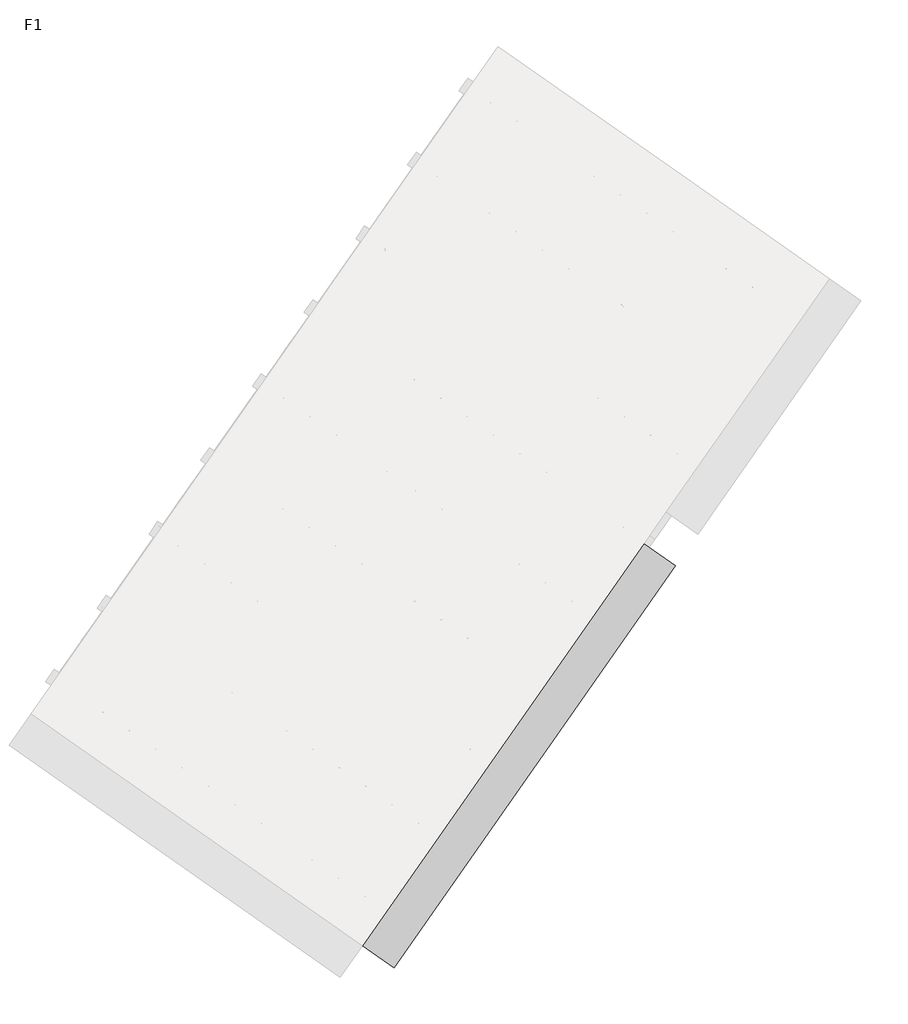
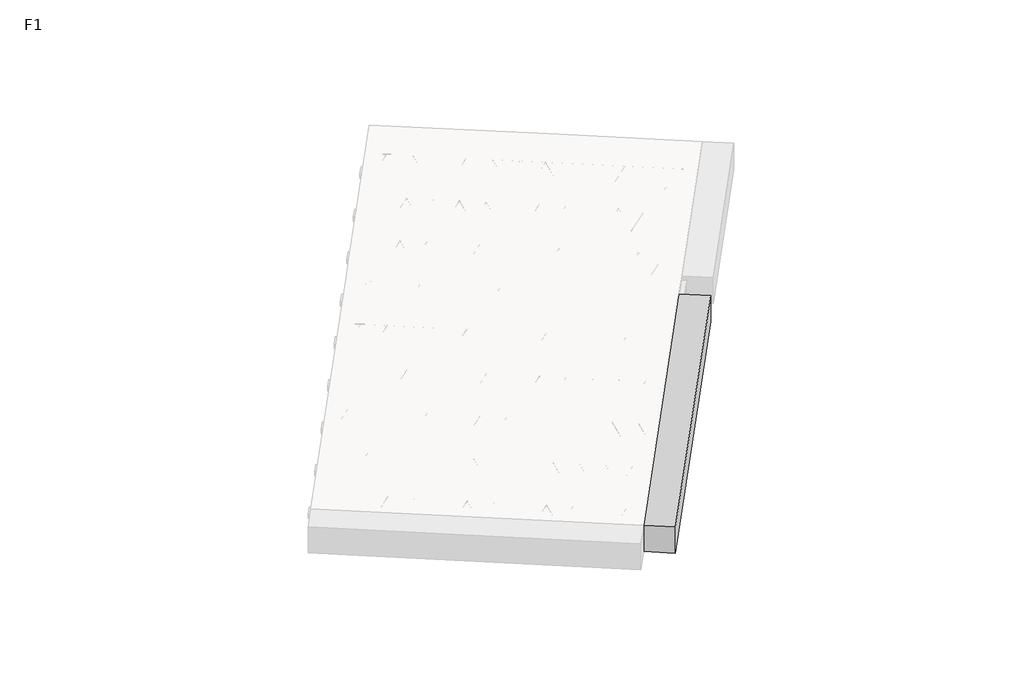
# One storey, part 12 of 30: 2 beams.
"""IFC4 building model written with IfcOpenShell, lengths in millimetres."""

import ifcopenshell
import ifcopenshell.guid

model = None  # the IFC model being written
_history = None  # IfcOwnerHistory: only IFC2X3 demands one
_inside = {}  # id of a spatial element -> (the spatial element, [elements in it])
_under = {}  # id of a project, library or spatial element -> (it, [spatial elements below it])
_declared = {}  # id of a project -> (the project, [libraries it declares])
_typed = {}  # id of a type object -> (the type object, [elements of that type])
_made_of = {}  # id of a material, layer set ... -> (it, [elements and type objects made of it])


def new_model(schema):
    """Start an empty IFC model of exactly this schema.

    Asked for "IFC4X3", IfcOpenShell would pick the latest addendum, in which some entities
    have other attributes; the version numbers below select the first issue.
    IFC2X3 requires an IfcOwnerHistory on every rooted entity: one is made here for all.
    """
    global model, _history
    if schema == "IFC4X3":
        model = ifcopenshell.file(schema_version=(4, 3, 0, 0))
    else:
        model = ifcopenshell.file(schema=schema)
    _inside.clear()
    _under.clear()
    _declared.clear()
    _typed.clear()
    _made_of.clear()
    _history = None
    if model.schema == "IFC2X3":
        org = make("IfcOrganization", Name="unknown")
        user = make(
            "IfcPersonAndOrganization",
            ThePerson=make("IfcPerson", FamilyName="unknown"),
            TheOrganization=org,
        )
        app = make(
            "IfcApplication",
            ApplicationDeveloper=org,
            Version="unknown",
            ApplicationFullName="unknown",
            ApplicationIdentifier="unknown",
        )
        _history = make(
            "IfcOwnerHistory",
            OwningUser=user,
            OwningApplication=app,
            ChangeAction="ADDED",
            CreationDate=0,
        )
    return model


def make(cls, **values):
    """One entity of the class cls with the attributes given. An attribute that is None is left unset."""
    return model.create_entity(
        cls, **{name: value for name, value in values.items() if value is not None}
    )


def rooted(cls, **values):
    """An entity with a GlobalId (a new one), such as an element, a storey or a relation."""
    return make(cls, GlobalId=ifcopenshell.guid.new(), OwnerHistory=_history, **values)


def si_unit(unit_type, name, prefix=None):
    """IfcSIUnit, for example si_unit("LENGTHUNIT", "METRE", prefix="MILLI")."""
    return make("IfcSIUnit", UnitType=unit_type, Prefix=prefix, Name=name)


def assignment(units):
    """IfcUnitAssignment: the units of a project."""
    return None if units is None else make("IfcUnitAssignment", Units=units)


def point(xyz):
    """IfcCartesianPoint."""
    return None if xyz is None else make("IfcCartesianPoint", Coordinates=xyz)


def direction(xyz):
    """IfcDirection."""
    return None if xyz is None else make("IfcDirection", DirectionRatios=xyz)


def frame(location, z_axis=None, x_axis=None):
    """IfcAxis2Placement3D, a coordinate frame: its origin and axes. An axis left out is left unset."""
    return make(
        "IfcAxis2Placement3D",
        Location=point(location),
        Axis=direction(z_axis),
        RefDirection=direction(x_axis),
    )


def frame_2d(location, x_axis=None):
    """IfcAxis2Placement2D, a coordinate frame in the plane: its origin and x axis."""
    return make(
        "IfcAxis2Placement2D", Location=point(location), RefDirection=direction(x_axis)
    )


def origin():
    """The frame at (0, 0, 0) with its axes left unset."""
    return frame((0.0, 0.0, 0.0))


def origin_2d():
    """The frame at (0, 0) in the plane with its x axis left unset."""
    return frame_2d((0.0, 0.0))


def place(relative_to, where):
    """IfcLocalPlacement: puts the frame where relative to a parent placement (None: the world)."""
    return make(
        "IfcLocalPlacement", PlacementRelTo=relative_to, RelativePlacement=where
    )


def context(
    kind, dimensions, precision=None, world=None, true_north=None, identifier=None
):
    """IfcGeometricRepresentationContext, for example the 3D "Model" context."""
    return make(
        "IfcGeometricRepresentationContext",
        ContextIdentifier=identifier,
        ContextType=kind,
        CoordinateSpaceDimension=dimensions,
        Precision=precision,
        WorldCoordinateSystem=world,
        TrueNorth=true_north,
    )


def project(units=None, contexts=None):
    """IfcProject with its units and contexts."""
    return rooted(
        "IfcProject",
        Name="project",
        RepresentationContexts=contexts,
        UnitsInContext=assignment(units),
    )


def spatial(cls, under=None, at=None, **own):
    """A site, building, storey or space (cls), placed at a placement, below another one or the project."""
    s = rooted(cls, ObjectPlacement=at, **own)
    if under is not None:
        _under.setdefault(under.id(), (under, []))[1].append(s)
    return s


def polyline(points):
    """IfcPolyline through the points."""
    return make("IfcPolyline", Points=[point(p) for p in points])


def circle_curve(where, radius):
    """IfcCircle in the frame where."""
    return make("IfcCircle", Position=where, Radius=radius)


def trimmed(basis, trim1, trim2, sense, master):
    """IfcTrimmedCurve: the piece of a basis curve between two trims."""
    return make(
        "IfcTrimmedCurve",
        BasisCurve=basis,
        Trim1=trim1,
        Trim2=trim2,
        SenseAgreement=sense,
        MasterRepresentation=master,
    )


def segment(curve, same_sense, transition):
    """IfcCompositeCurveSegment."""
    return make(
        "IfcCompositeCurveSegment",
        Transition=transition,
        SameSense=same_sense,
        ParentCurve=curve,
    )


def composite_curve(segments, self_intersect=None):
    """IfcCompositeCurve: segments joined end to end."""
    return make("IfcCompositeCurve", Segments=segments, SelfIntersect=self_intersect)


def outline(outer, holes=None, kind="AREA"):
    """IfcArbitraryClosedProfileDef: a profile drawn as a closed curve; with holes, ...WithVoids."""
    if holes is None:
        return make("IfcArbitraryClosedProfileDef", ProfileType=kind, OuterCurve=outer)
    return make(
        "IfcArbitraryProfileDefWithVoids",
        ProfileType=kind,
        OuterCurve=outer,
        InnerCurves=holes,
    )


def extrude(swept, where, along, depth):
    """IfcExtrudedAreaSolid: the profile swept, set in the frame where, extruded along a direction by depth."""
    return make(
        "IfcExtrudedAreaSolid",
        SweptArea=swept,
        Position=where,
        ExtrudedDirection=direction(along),
        Depth=depth,
    )


def shape(context_of_items, identifier, shape_type, items):
    """IfcShapeRepresentation: the items that make up one representation, for example the "Body"."""
    return make(
        "IfcShapeRepresentation",
        ContextOfItems=context_of_items,
        RepresentationIdentifier=identifier,
        RepresentationType=shape_type,
        Items=items,
    )


def made_of(thing, what):
    """Note that an element or type object is made of a material, layer set ...; save() writes the relation."""
    if what is not None:
        _made_of.setdefault(what.id(), (what, []))[1].append(thing)
    return thing


def element(
    cls,
    number,
    at=None,
    inside=None,
    cuts=None,
    type_object=None,
    material=None,
    context=None,
    identifier="Body",
    shape_type=None,
    held_by="IfcProductDefinitionShape",
    body=None,
    shapes=None,
    **own,
):
    """One element of the class cls, such as IfcWall. Its Tag is "e" and its number.

    at: its placement. inside: the storey or other place that contains it. cuts: it is an
    opening in that element (IfcRelVoidsElement). A single representation is given by context,
    identifier, shape_type and body (its items); several are given by shapes. held_by: the class
    of the entity that holds the representations. save() writes the other relations.
    """
    e = rooted(cls, Tag="e%d" % number, ObjectPlacement=at, **own)
    if body is not None:
        shapes = [shape(context, identifier, shape_type, body)]
    if shapes is not None:
        e.Representation = make(held_by, Representations=shapes)
    if inside is not None:
        _inside.setdefault(inside.id(), (inside, []))[1].append(e)
    if cuts is not None:
        rooted(
            "IfcRelVoidsElement", RelatingBuildingElement=cuts, RelatedOpeningElement=e
        )
    if type_object is not None:
        _typed.setdefault(type_object.id(), (type_object, []))[1].append(e)
    return made_of(e, material)


def aggregate(whole, parts):
    """IfcRelAggregates: a whole, such as a stair, and the parts it consists of."""
    return rooted("IfcRelAggregates", RelatingObject=whole, RelatedObjects=parts)


def save(model, path):
    """Write the relations noted so far, then the file.

    IfcRelAggregates (storeys below a building ...), IfcRelContainedInSpatialStructure (elements
    in a storey), IfcRelDefinesByType, IfcRelAssociatesMaterial and IfcRelDeclares: one each for
    every whole, place, type object, material and project.
    """
    for whole, parts in _under.values():
        aggregate(whole, parts)
    for where, things in _inside.values():
        rooted(
            "IfcRelContainedInSpatialStructure",
            RelatedElements=things,
            RelatingStructure=where,
        )
    for kind, things in _typed.values():
        rooted("IfcRelDefinesByType", RelatedObjects=things, RelatingType=kind)
    for what, things in _made_of.values():
        rooted("IfcRelAssociatesMaterial", RelatedObjects=things, RelatingMaterial=what)
    for by, libraries in _declared.values():
        rooted("IfcRelDeclares", RelatingContext=by, RelatedDefinitions=libraries)
    model.write(path)


model = new_model("IFC4")

# Units and contexts
model_context = context("Model", 3, world=origin())
ifc_project = project(units=[si_unit("LENGTHUNIT", "METRE", prefix="MILLI")], contexts=[model_context])

# Site, building, storey
site = spatial("IfcSite", under=ifc_project)
building = spatial("IfcBuilding", under=site)
storey = spatial("IfcBuildingStorey", under=building, Name="F1", Elevation=99520.0)

# Beams
placement = place(None, origin())
element("IfcBeam", 1, at=placement, inside=storey, context=model_context, shape_type="SweptSolid", body=[
    extrude(outline(polyline([(6428.5221654, -972.9166134), (6497.3513378, -874.618368), (9151.4039612, -2733.0060219), (9082.5747889, -2831.3042672), (6428.5221654, -972.9166134)])), frame((0.0, 0.0, 99720.0), z_axis=(0.0, 0.0, 1.0), x_axis=(1.0, 0.0, 0.0)), (0.0, 0.0, 1.0), 50.0),
    extrude(outline(composite_curve([segment(trimmed(circle_curve(origin_2d(), 2.5), [point((-2.5, 0.0))], [point((2.5, 0.0))], False, "CARTESIAN"), True, "CONTINUOUS"), segment(trimmed(circle_curve(origin_2d(), 2.5), [point((2.5, 0.0))], [point((-2.5, 0.0))], False, "CARTESIAN"), True, "CONTINUOUS")], self_intersect=False)), frame((9076.6809743, -2797.8787837, 99745.0), z_axis=(-0.8191520442696126, 0.5735764363787226, 0.0), x_axis=(0.5735764363787226, 0.8191520442696126, 0.0)), (0.0, 0.0, 1.0), 3192.0),
    extrude(outline(composite_curve([segment(trimmed(circle_curve(origin_2d(), 2.5), [point((-2.5, 0.0))], [point((2.5, 0.0))], False, "CARTESIAN"), True, "CONTINUOUS"), segment(trimmed(circle_curve(origin_2d(), 2.5), [point((2.5, 0.0))], [point((-2.5, 0.0))], False, "CARTESIAN"), True, "CONTINUOUS")], self_intersect=False)), frame((8957.2547264, -2670.3077395, 99970.0), z_axis=(-0.8191520442696126, 0.5735764363787226, 0.0), x_axis=(0.5735764363787226, 0.8191520442696126, 0.0)), (0.0, 0.0, 1.0), 2850.0),
    extrude(outline(composite_curve([segment(trimmed(circle_curve(origin_2d(), 2.5), [point((-2.5, 0.0))], [point((2.5, 0.0))], False, "CARTESIAN"), True, "CONTINUOUS"), segment(trimmed(circle_curve(origin_2d(), 2.5), [point((2.5, 0.0))], [point((-2.5, 0.0))], False, "CARTESIAN"), True, "CONTINUOUS")], self_intersect=False)), frame((8998.042378, -2742.8154458, 99745.0), z_axis=(-0.3145304735701046, 0.38933448886848654, 0.8657304643902053), x_axis=(0.7778747638402499, 0.6284193279813057, 0.0)), (0.0, 0.0, 1.0), 259.8961331),
    extrude(outline(composite_curve([segment(trimmed(circle_curve(origin_2d(), 2.5), [point((2.5, 0.0))], [point((-2.5, 0.0))], False, "CARTESIAN"), True, "CONTINUOUS"), segment(trimmed(circle_curve(origin_2d(), 2.5), [point((-2.5, 0.0))], [point((2.5, 0.0))], False, "CARTESIAN"), True, "CONTINUOUS")], self_intersect=False)), frame((8793.254367, -2599.4213367, 99745.0), z_axis=(0.47343050384693375, -0.16240172737369005, 0.8657304643902051), x_axis=(-0.3244721671091268, -0.9458952440791246, 0.0)), (0.0, 0.0, 1.0), 259.8961331),
    extrude(outline(composite_curve([segment(trimmed(circle_curve(origin_2d(), 2.5), [point((-2.5, 0.0))], [point((2.5, 0.0))], False, "CARTESIAN"), True, "CONTINUOUS"), segment(trimmed(circle_curve(origin_2d(), 2.5), [point((2.5, 0.0))], [point((-2.5, 0.0))], False, "CARTESIAN"), True, "CONTINUOUS")], self_intersect=False)), frame((8793.254367, -2599.4213367, 99745.0), z_axis=(-0.3145304735701046, 0.38933448886848654, 0.8657304643902053), x_axis=(0.7778747638402499, 0.6284193279813057, 0.0)), (0.0, 0.0, 1.0), 259.8961331),
    extrude(outline(composite_curve([segment(trimmed(circle_curve(origin_2d(), 2.5), [point((2.5, 0.0))], [point((-2.5, 0.0))], False, "CARTESIAN"), True, "CONTINUOUS"), segment(trimmed(circle_curve(origin_2d(), 2.5), [point((-2.5, 0.0))], [point((2.5, 0.0))], False, "CARTESIAN"), True, "CONTINUOUS")], self_intersect=False)), frame((8588.4663559, -2456.0272276, 99745.0), z_axis=(0.47343050384693375, -0.16240172737369005, 0.8657304643902051), x_axis=(-0.3244721671091268, -0.9458952440791246, 0.0)), (0.0, 0.0, 1.0), 259.8961331),
    extrude(outline(composite_curve([segment(trimmed(circle_curve(origin_2d(), 2.5), [point((-2.5, 0.0))], [point((2.5, 0.0))], False, "CARTESIAN"), True, "CONTINUOUS"), segment(trimmed(circle_curve(origin_2d(), 2.5), [point((2.5, 0.0))], [point((-2.5, 0.0))], False, "CARTESIAN"), True, "CONTINUOUS")], self_intersect=False)), frame((8588.4663559, -2456.0272276, 99745.0), z_axis=(-0.3145304735701046, 0.38933448886848654, 0.8657304643902053), x_axis=(0.7778747638402499, 0.6284193279813057, 0.0)), (0.0, 0.0, 1.0), 259.8961331),
    extrude(outline(composite_curve([segment(trimmed(circle_curve(origin_2d(), 2.5), [point((2.5, 0.0))], [point((-2.5, 1e-07))], False, "CARTESIAN"), True, "CONTINUOUS"), segment(trimmed(circle_curve(origin_2d(), 2.5), [point((-2.5, 1e-07))], [point((2.5, 0.0))], False, "CARTESIAN"), True, "CONTINUOUS")], self_intersect=False)), frame((8383.6783448, -2312.6331185, 99745.0), z_axis=(0.47343050384693375, -0.16240172737369005, 0.8657304643902051), x_axis=(-0.3244721671091268, -0.9458952440791246, 0.0)), (0.0, 0.0, 1.0), 259.8961331),
    extrude(outline(composite_curve([segment(trimmed(circle_curve(origin_2d(), 2.5), [point((-2.5, 0.0))], [point((2.5, 0.0))], False, "CARTESIAN"), True, "CONTINUOUS"), segment(trimmed(circle_curve(origin_2d(), 2.5), [point((2.5, 0.0))], [point((-2.5, 0.0))], False, "CARTESIAN"), True, "CONTINUOUS")], self_intersect=False)), frame((8383.6783448, -2312.6331185, 99745.0), z_axis=(-0.3145304735701046, 0.38933448886848654, 0.8657304643902053), x_axis=(0.7778747638402499, 0.6284193279813057, 0.0)), (0.0, 0.0, 1.0), 259.8961331),
    extrude(outline(composite_curve([segment(trimmed(circle_curve(origin_2d(), 2.5), [point((2.5, 0.0))], [point((-2.5, 0.0))], False, "CARTESIAN"), True, "CONTINUOUS"), segment(trimmed(circle_curve(origin_2d(), 2.5), [point((-2.5, 0.0))], [point((2.5, 0.0))], False, "CARTESIAN"), True, "CONTINUOUS")], self_intersect=False)), frame((8178.8903338, -2169.2390094, 99745.0), z_axis=(0.47343050384693375, -0.16240172737369005, 0.8657304643902051), x_axis=(-0.3244721671091268, -0.9458952440791246, 0.0)), (0.0, 0.0, 1.0), 259.8961331),
    extrude(outline(composite_curve([segment(trimmed(circle_curve(origin_2d(), 2.5), [point((-2.5, 0.0))], [point((2.5, 0.0))], False, "CARTESIAN"), True, "CONTINUOUS"), segment(trimmed(circle_curve(origin_2d(), 2.5), [point((2.5, 0.0))], [point((-2.5, 0.0))], False, "CARTESIAN"), True, "CONTINUOUS")], self_intersect=False)), frame((8178.8903338, -2169.2390094, 99745.0), z_axis=(-0.3145304735701046, 0.38933448886848654, 0.8657304643902053), x_axis=(0.7778747638402499, 0.6284193279813057, 0.0)), (0.0, 0.0, 1.0), 259.8961331),
    extrude(outline(composite_curve([segment(trimmed(circle_curve(origin_2d(), 2.5), [point((2.5, 0.0))], [point((-2.5, 0.0))], False, "CARTESIAN"), True, "CONTINUOUS"), segment(trimmed(circle_curve(origin_2d(), 2.5), [point((-2.5, 0.0))], [point((2.5, 0.0))], False, "CARTESIAN"), True, "CONTINUOUS")], self_intersect=False)), frame((7974.1023227, -2025.8449003, 99745.0), z_axis=(0.47343050384693375, -0.16240172737369005, 0.8657304643902051), x_axis=(-0.3244721671091268, -0.9458952440791246, 0.0)), (0.0, 0.0, 1.0), 259.8961331),
    extrude(outline(composite_curve([segment(trimmed(circle_curve(origin_2d(), 2.5), [point((-2.5, 0.0))], [point((2.5, 0.0))], False, "CARTESIAN"), True, "CONTINUOUS"), segment(trimmed(circle_curve(origin_2d(), 2.5), [point((2.5, 0.0))], [point((-2.5, 0.0))], False, "CARTESIAN"), True, "CONTINUOUS")], self_intersect=False)), frame((7974.1023227, -2025.8449003, 99745.0), z_axis=(-0.3145304735701046, 0.38933448886848654, 0.8657304643902053), x_axis=(0.7778747638402499, 0.6284193279813057, 0.0)), (0.0, 0.0, 1.0), 259.8961331),
    extrude(outline(composite_curve([segment(trimmed(circle_curve(origin_2d(), 2.5), [point((2.5, 0.0))], [point((-2.5, 1e-07))], False, "CARTESIAN"), True, "CONTINUOUS"), segment(trimmed(circle_curve(origin_2d(), 2.5), [point((-2.5, 1e-07))], [point((2.5, 0.0))], False, "CARTESIAN"), True, "CONTINUOUS")], self_intersect=False)), frame((7769.3143116, -1882.4507912, 99745.0), z_axis=(0.47343050384693375, -0.16240172737369005, 0.8657304643902051), x_axis=(-0.3244721671091268, -0.9458952440791246, 0.0)), (0.0, 0.0, 1.0), 259.8961331),
    extrude(outline(composite_curve([segment(trimmed(circle_curve(origin_2d(), 2.5), [point((-2.5, 0.0))], [point((2.5, 0.0))], False, "CARTESIAN"), True, "CONTINUOUS"), segment(trimmed(circle_curve(origin_2d(), 2.5), [point((2.5, 0.0))], [point((-2.5, 0.0))], False, "CARTESIAN"), True, "CONTINUOUS")], self_intersect=False)), frame((7769.3143116, -1882.4507912, 99745.0), z_axis=(-0.3145304735701046, 0.38933448886848654, 0.8657304643902053), x_axis=(0.7778747638402499, 0.6284193279813057, 0.0)), (0.0, 0.0, 1.0), 259.8961331),
    extrude(outline(composite_curve([segment(trimmed(circle_curve(origin_2d(), 2.5), [point((2.5, -1e-07))], [point((-2.5, 0.0))], False, "CARTESIAN"), True, "CONTINUOUS"), segment(trimmed(circle_curve(origin_2d(), 2.5), [point((-2.5, 0.0))], [point((2.5, -1e-07))], False, "CARTESIAN"), True, "CONTINUOUS")], self_intersect=False)), frame((7564.5263006, -1739.0566821, 99745.0), z_axis=(0.47343050384693375, -0.16240172737369005, 0.8657304643902051), x_axis=(-0.3244721671091268, -0.9458952440791246, 0.0)), (0.0, 0.0, 1.0), 259.8961331),
    extrude(outline(composite_curve([segment(trimmed(circle_curve(origin_2d(), 2.5), [point((-2.5, -1e-07))], [point((2.5, 0.0))], False, "CARTESIAN"), True, "CONTINUOUS"), segment(trimmed(circle_curve(origin_2d(), 2.5), [point((2.5, 0.0))], [point((-2.5, -1e-07))], False, "CARTESIAN"), True, "CONTINUOUS")], self_intersect=False)), frame((7564.5263006, -1739.0566821, 99745.0), z_axis=(-0.3145304735701046, 0.38933448886848654, 0.8657304643902053), x_axis=(0.7778747638402499, 0.6284193279813057, 0.0)), (0.0, 0.0, 1.0), 259.8961331),
    extrude(outline(composite_curve([segment(trimmed(circle_curve(origin_2d(), 2.5), [point((2.5, 0.0))], [point((-2.5, 0.0))], False, "CARTESIAN"), True, "CONTINUOUS"), segment(trimmed(circle_curve(origin_2d(), 2.5), [point((-2.5, 0.0))], [point((2.5, 0.0))], False, "CARTESIAN"), True, "CONTINUOUS")], self_intersect=False)), frame((7359.7382895, -1595.662573, 99745.0), z_axis=(0.47343050384693375, -0.16240172737369005, 0.8657304643902051), x_axis=(-0.3244721671091268, -0.9458952440791246, 0.0)), (0.0, 0.0, 1.0), 259.8961331),
    extrude(outline(composite_curve([segment(trimmed(circle_curve(origin_2d(), 2.5), [point((-2.5, -1e-07))], [point((2.5, 0.0))], False, "CARTESIAN"), True, "CONTINUOUS"), segment(trimmed(circle_curve(origin_2d(), 2.5), [point((2.5, 0.0))], [point((-2.5, -1e-07))], False, "CARTESIAN"), True, "CONTINUOUS")], self_intersect=False)), frame((7359.7382895, -1595.662573, 99745.0), z_axis=(-0.3145304735701046, 0.38933448886848654, 0.8657304643902053), x_axis=(0.7778747638402499, 0.6284193279813057, 0.0)), (0.0, 0.0, 1.0), 259.8961331),
    extrude(outline(composite_curve([segment(trimmed(circle_curve(origin_2d(), 2.5), [point((2.5000001, 0.0))], [point((-2.5, 0.0))], False, "CARTESIAN"), True, "CONTINUOUS"), segment(trimmed(circle_curve(origin_2d(), 2.5), [point((-2.5, 0.0))], [point((2.5000001, 0.0))], False, "CARTESIAN"), True, "CONTINUOUS")], self_intersect=False)), frame((7154.9502784, -1452.2684639, 99745.0), z_axis=(0.47343050384693375, -0.16240172737369005, 0.8657304643902051), x_axis=(-0.3244721671091268, -0.9458952440791246, 0.0)), (0.0, 0.0, 1.0), 259.8961331),
    extrude(outline(composite_curve([segment(trimmed(circle_curve(origin_2d(), 2.5), [point((-2.5, -1e-07))], [point((2.5, 0.0))], False, "CARTESIAN"), True, "CONTINUOUS"), segment(trimmed(circle_curve(origin_2d(), 2.5), [point((2.5, 0.0))], [point((-2.5, -1e-07))], False, "CARTESIAN"), True, "CONTINUOUS")], self_intersect=False)), frame((7154.9502784, -1452.2684639, 99745.0), z_axis=(-0.3145304735701046, 0.38933448886848654, 0.8657304643902053), x_axis=(0.7778747638402499, 0.6284193279813057, 0.0)), (0.0, 0.0, 1.0), 259.8961331),
    extrude(outline(composite_curve([segment(trimmed(circle_curve(origin_2d(), 2.5), [point((2.5000001, 0.0))], [point((-2.5, 0.0))], False, "CARTESIAN"), True, "CONTINUOUS"), segment(trimmed(circle_curve(origin_2d(), 2.5), [point((-2.5, 0.0))], [point((2.5000001, 0.0))], False, "CARTESIAN"), True, "CONTINUOUS")], self_intersect=False)), frame((6950.1622674, -1308.8743548, 99745.0), z_axis=(0.47343050384693375, -0.16240172737369005, 0.8657304643902051), x_axis=(-0.3244721671091268, -0.9458952440791246, 0.0)), (0.0, 0.0, 1.0), 259.8961331),
    extrude(outline(composite_curve([segment(trimmed(circle_curve(origin_2d(), 2.5), [point((-2.5, -1e-07))], [point((2.5, 0.0))], False, "CARTESIAN"), True, "CONTINUOUS"), segment(trimmed(circle_curve(origin_2d(), 2.5), [point((2.5, 0.0))], [point((-2.5, -1e-07))], False, "CARTESIAN"), True, "CONTINUOUS")], self_intersect=False)), frame((6950.1622674, -1308.8743548, 99745.0), z_axis=(-0.3145304735701046, 0.38933448886848654, 0.8657304643902053), x_axis=(0.7778747638402499, 0.6284193279813057, 0.0)), (0.0, 0.0, 1.0), 259.8961331),
    extrude(outline(composite_curve([segment(trimmed(circle_curve(origin_2d(), 2.5), [point((2.5, 0.0))], [point((-2.5000001, 0.0))], False, "CARTESIAN"), True, "CONTINUOUS"), segment(trimmed(circle_curve(origin_2d(), 2.5), [point((-2.5000001, 0.0))], [point((2.5, 0.0))], False, "CARTESIAN"), True, "CONTINUOUS")], self_intersect=False)), frame((6745.3742563, -1165.4802458, 99745.0), z_axis=(0.47343050384693375, -0.16240172737369005, 0.8657304643902051), x_axis=(-0.3244721671091268, -0.9458952440791246, 0.0)), (0.0, 0.0, 1.0), 259.8961331),
    extrude(outline(composite_curve([segment(trimmed(circle_curve(origin_2d(), 2.5), [point((-2.5, 0.0))], [point((2.5, 1e-07))], False, "CARTESIAN"), True, "CONTINUOUS"), segment(trimmed(circle_curve(origin_2d(), 2.5), [point((2.5, 1e-07))], [point((-2.5, 0.0))], False, "CARTESIAN"), True, "CONTINUOUS")], self_intersect=False)), frame((6745.3742563, -1165.4802458, 99745.0), z_axis=(-0.3145304735701046, 0.38933448886848654, 0.8657304643902053), x_axis=(0.7778747638402499, 0.6284193279813057, 0.0)), (0.0, 0.0, 1.0), 259.8961331),
    extrude(outline(composite_curve([segment(trimmed(circle_curve(origin_2d(), 2.5), [point((2.5, 0.0))], [point((-2.5000001, 0.0))], False, "CARTESIAN"), True, "CONTINUOUS"), segment(trimmed(circle_curve(origin_2d(), 2.5), [point((-2.5000001, 0.0))], [point((2.5, 0.0))], False, "CARTESIAN"), True, "CONTINUOUS")], self_intersect=False)), frame((6540.5862452, -1022.0861367, 99745.0), z_axis=(0.47343050384693375, -0.16240172737369005, 0.8657304643902051), x_axis=(-0.3244721671091268, -0.9458952440791246, 0.0)), (0.0, 0.0, 1.0), 259.8961331),
    extrude(outline(composite_curve([segment(trimmed(circle_curve(origin_2d(), 2.5), [point((-2.5, 0.0))], [point((2.5, 0.0))], False, "CARTESIAN"), True, "CONTINUOUS"), segment(trimmed(circle_curve(origin_2d(), 2.5), [point((2.5, 0.0))], [point((-2.5, 0.0))], False, "CARTESIAN"), True, "CONTINUOUS")], self_intersect=False)), frame((9117.9784777, -2738.8998365, 99745.0), z_axis=(-0.8191520442696126, 0.5735764363787226, 0.0), x_axis=(0.5735764363787226, 0.8191520442696126, 0.0)), (0.0, 0.0, 1.0), 3192.0),
    extrude(outline(composite_curve([segment(trimmed(circle_curve(origin_2d(), 2.5), [point((-2.5, 1e-07))], [point((2.5, 0.0))], False, "CARTESIAN"), True, "CONTINUOUS"), segment(trimmed(circle_curve(origin_2d(), 2.5), [point((2.5, 0.0))], [point((-2.5, 1e-07))], False, "CARTESIAN"), True, "CONTINUOUS")], self_intersect=False)), frame((9039.3398815, -2683.8364986, 99745.0), z_axis=(-0.47343050384693375, 0.16240172737369005, 0.8657304643902051), x_axis=(0.3244721671091268, 0.9458952440791246, 0.0)), (0.0, 0.0, 1.0), 259.8961331),
    extrude(outline(composite_curve([segment(trimmed(circle_curve(origin_2d(), 2.5), [point((2.5, 0.0))], [point((-2.5, 0.0))], False, "CARTESIAN"), True, "CONTINUOUS"), segment(trimmed(circle_curve(origin_2d(), 2.5), [point((-2.5, 0.0))], [point((2.5, 0.0))], False, "CARTESIAN"), True, "CONTINUOUS")], self_intersect=False)), frame((8834.5518704, -2540.4423895, 99745.0), z_axis=(0.3145304735701046, -0.38933448886848654, 0.8657304643902053), x_axis=(-0.7778747638402499, -0.6284193279813057, 0.0)), (0.0, 0.0, 1.0), 259.8961331),
    extrude(outline(composite_curve([segment(trimmed(circle_curve(origin_2d(), 2.5), [point((-2.5, 0.0))], [point((2.5, 0.0))], False, "CARTESIAN"), True, "CONTINUOUS"), segment(trimmed(circle_curve(origin_2d(), 2.5), [point((2.5, 0.0))], [point((-2.5, 0.0))], False, "CARTESIAN"), True, "CONTINUOUS")], self_intersect=False)), frame((8834.5518704, -2540.4423895, 99745.0), z_axis=(-0.47343050384693375, 0.16240172737369005, 0.8657304643902051), x_axis=(0.3244721671091268, 0.9458952440791246, 0.0)), (0.0, 0.0, 1.0), 259.8961331),
    extrude(outline(composite_curve([segment(trimmed(circle_curve(origin_2d(), 2.5), [point((2.5, 0.0))], [point((-2.5, 0.0))], False, "CARTESIAN"), True, "CONTINUOUS"), segment(trimmed(circle_curve(origin_2d(), 2.5), [point((-2.5, 0.0))], [point((2.5, 0.0))], False, "CARTESIAN"), True, "CONTINUOUS")], self_intersect=False)), frame((8629.7638593, -2397.0482804, 99745.0), z_axis=(0.3145304735701046, -0.38933448886848654, 0.8657304643902053), x_axis=(-0.7778747638402499, -0.6284193279813057, 0.0)), (0.0, 0.0, 1.0), 259.8961331),
    extrude(outline(composite_curve([segment(trimmed(circle_curve(origin_2d(), 2.5), [point((-2.5, 0.0))], [point((2.5, 0.0))], False, "CARTESIAN"), True, "CONTINUOUS"), segment(trimmed(circle_curve(origin_2d(), 2.5), [point((2.5, 0.0))], [point((-2.5, 0.0))], False, "CARTESIAN"), True, "CONTINUOUS")], self_intersect=False)), frame((8629.7638593, -2397.0482804, 99745.0), z_axis=(-0.47343050384693375, 0.16240172737369005, 0.8657304643902051), x_axis=(0.3244721671091268, 0.9458952440791246, 0.0)), (0.0, 0.0, 1.0), 259.8961331),
    extrude(outline(composite_curve([segment(trimmed(circle_curve(origin_2d(), 2.5), [point((2.5000001, -1e-07))], [point((-2.5, 0.0))], False, "CARTESIAN"), True, "CONTINUOUS"), segment(trimmed(circle_curve(origin_2d(), 2.5), [point((-2.5, 0.0))], [point((2.5000001, -1e-07))], False, "CARTESIAN"), True, "CONTINUOUS")], self_intersect=False)), frame((8424.9758483, -2253.6541713, 99745.0), z_axis=(0.3145304735701046, -0.38933448886848654, 0.8657304643902053), x_axis=(-0.7778747638402499, -0.6284193279813057, 0.0)), (0.0, 0.0, 1.0), 259.8961331),
    extrude(outline(composite_curve([segment(trimmed(circle_curve(origin_2d(), 2.5), [point((-2.5, 1e-07))], [point((2.5, 0.0))], False, "CARTESIAN"), True, "CONTINUOUS"), segment(trimmed(circle_curve(origin_2d(), 2.5), [point((2.5, 0.0))], [point((-2.5, 1e-07))], False, "CARTESIAN"), True, "CONTINUOUS")], self_intersect=False)), frame((8424.9758483, -2253.6541713, 99745.0), z_axis=(-0.47343050384693375, 0.16240172737369005, 0.8657304643902051), x_axis=(0.3244721671091268, 0.9458952440791246, 0.0)), (0.0, 0.0, 1.0), 259.8961331),
    extrude(outline(composite_curve([segment(trimmed(circle_curve(origin_2d(), 2.5), [point((2.5, 0.0))], [point((-2.5, 0.0))], False, "CARTESIAN"), True, "CONTINUOUS"), segment(trimmed(circle_curve(origin_2d(), 2.5), [point((-2.5, 0.0))], [point((2.5, 0.0))], False, "CARTESIAN"), True, "CONTINUOUS")], self_intersect=False)), frame((8220.1878372, -2110.2600622, 99745.0), z_axis=(0.3145304735701046, -0.38933448886848654, 0.8657304643902053), x_axis=(-0.7778747638402499, -0.6284193279813057, 0.0)), (0.0, 0.0, 1.0), 259.8961331),
    extrude(outline(composite_curve([segment(trimmed(circle_curve(origin_2d(), 2.5), [point((-2.5, 0.0))], [point((2.5, 0.0))], False, "CARTESIAN"), True, "CONTINUOUS"), segment(trimmed(circle_curve(origin_2d(), 2.5), [point((2.5, 0.0))], [point((-2.5, 0.0))], False, "CARTESIAN"), True, "CONTINUOUS")], self_intersect=False)), frame((8220.1878372, -2110.2600622, 99745.0), z_axis=(-0.47343050384693375, 0.16240172737369005, 0.8657304643902051), x_axis=(0.3244721671091268, 0.9458952440791246, 0.0)), (0.0, 0.0, 1.0), 259.8961331),
    extrude(outline(composite_curve([segment(trimmed(circle_curve(origin_2d(), 2.5), [point((2.5, 1e-07))], [point((-2.5, 0.0))], False, "CARTESIAN"), True, "CONTINUOUS"), segment(trimmed(circle_curve(origin_2d(), 2.5), [point((-2.5, 0.0))], [point((2.5, 1e-07))], False, "CARTESIAN"), True, "CONTINUOUS")], self_intersect=False)), frame((8015.3998261, -1966.8659531, 99745.0), z_axis=(0.3145304735701046, -0.38933448886848654, 0.8657304643902053), x_axis=(-0.7778747638402499, -0.6284193279813057, 0.0)), (0.0, 0.0, 1.0), 259.8961331),
    extrude(outline(composite_curve([segment(trimmed(circle_curve(origin_2d(), 2.5), [point((-2.5, 0.0))], [point((2.5, 0.0))], False, "CARTESIAN"), True, "CONTINUOUS"), segment(trimmed(circle_curve(origin_2d(), 2.5), [point((2.5, 0.0))], [point((-2.5, 0.0))], False, "CARTESIAN"), True, "CONTINUOUS")], self_intersect=False)), frame((8015.3998261, -1966.8659531, 99745.0), z_axis=(-0.47343050384693375, 0.16240172737369005, 0.8657304643902051), x_axis=(0.3244721671091268, 0.9458952440791246, 0.0)), (0.0, 0.0, 1.0), 259.8961331),
    extrude(outline(composite_curve([segment(trimmed(circle_curve(origin_2d(), 2.5), [point((2.5000001, 0.0))], [point((-2.5, 0.0))], False, "CARTESIAN"), True, "CONTINUOUS"), segment(trimmed(circle_curve(origin_2d(), 2.5), [point((-2.5, 0.0))], [point((2.5000001, 0.0))], False, "CARTESIAN"), True, "CONTINUOUS")], self_intersect=False)), frame((7810.6118151, -1823.471844, 99745.0), z_axis=(0.3145304735701046, -0.38933448886848654, 0.8657304643902053), x_axis=(-0.7778747638402499, -0.6284193279813057, 0.0)), (0.0, 0.0, 1.0), 259.8961331),
    extrude(outline(composite_curve([segment(trimmed(circle_curve(origin_2d(), 2.5), [point((-2.5, 1e-07))], [point((2.5, 0.0))], False, "CARTESIAN"), True, "CONTINUOUS"), segment(trimmed(circle_curve(origin_2d(), 2.5), [point((2.5, 0.0))], [point((-2.5, 1e-07))], False, "CARTESIAN"), True, "CONTINUOUS")], self_intersect=False)), frame((7810.6118151, -1823.471844, 99745.0), z_axis=(-0.47343050384693375, 0.16240172737369005, 0.8657304643902051), x_axis=(0.3244721671091268, 0.9458952440791246, 0.0)), (0.0, 0.0, 1.0), 259.8961331),
    extrude(outline(composite_curve([segment(trimmed(circle_curve(origin_2d(), 2.5), [point((2.5, 1e-07))], [point((-2.5, 0.0))], False, "CARTESIAN"), True, "CONTINUOUS"), segment(trimmed(circle_curve(origin_2d(), 2.5), [point((-2.5, 0.0))], [point((2.5, 1e-07))], False, "CARTESIAN"), True, "CONTINUOUS")], self_intersect=False)), frame((7605.823804, -1680.0777349, 99745.0), z_axis=(0.3145304735701046, -0.38933448886848654, 0.8657304643902053), x_axis=(-0.7778747638402499, -0.6284193279813057, 0.0)), (0.0, 0.0, 1.0), 259.8961331),
    extrude(outline(composite_curve([segment(trimmed(circle_curve(origin_2d(), 2.5), [point((-2.5000001, 0.0))], [point((2.5, 0.0))], False, "CARTESIAN"), True, "CONTINUOUS"), segment(trimmed(circle_curve(origin_2d(), 2.5), [point((2.5, 0.0))], [point((-2.5000001, 0.0))], False, "CARTESIAN"), True, "CONTINUOUS")], self_intersect=False)), frame((7605.823804, -1680.0777349, 99745.0), z_axis=(-0.47343050384693375, 0.16240172737369005, 0.8657304643902051), x_axis=(0.3244721671091268, 0.9458952440791246, 0.0)), (0.0, 0.0, 1.0), 259.8961331),
    extrude(outline(composite_curve([segment(trimmed(circle_curve(origin_2d(), 2.5), [point((2.5, 0.0))], [point((-2.5, -1e-07))], False, "CARTESIAN"), True, "CONTINUOUS"), segment(trimmed(circle_curve(origin_2d(), 2.5), [point((-2.5, -1e-07))], [point((2.5, 0.0))], False, "CARTESIAN"), True, "CONTINUOUS")], self_intersect=False)), frame((7401.0357929, -1536.6836259, 99745.0), z_axis=(0.3145304735701046, -0.38933448886848654, 0.8657304643902053), x_axis=(-0.7778747638402499, -0.6284193279813057, 0.0)), (0.0, 0.0, 1.0), 259.8961331),
    extrude(outline(composite_curve([segment(trimmed(circle_curve(origin_2d(), 2.5), [point((-2.5000001, 0.0))], [point((2.5, 0.0))], False, "CARTESIAN"), True, "CONTINUOUS"), segment(trimmed(circle_curve(origin_2d(), 2.5), [point((2.5, 0.0))], [point((-2.5000001, 0.0))], False, "CARTESIAN"), True, "CONTINUOUS")], self_intersect=False)), frame((7401.0357929, -1536.6836258, 99745.0), z_axis=(-0.47343050384693375, 0.16240172737369005, 0.8657304643902051), x_axis=(0.3244721671091268, 0.9458952440791246, 0.0)), (0.0, 0.0, 1.0), 259.8961331),
    extrude(outline(composite_curve([segment(trimmed(circle_curve(origin_2d(), 2.5), [point((2.5000001, -1e-07))], [point((-2.5, -1e-07))], False, "CARTESIAN"), True, "CONTINUOUS"), segment(trimmed(circle_curve(origin_2d(), 2.5), [point((-2.5, -1e-07))], [point((2.5000001, -1e-07))], False, "CARTESIAN"), True, "CONTINUOUS")], self_intersect=False)), frame((7196.2477819, -1393.2895168, 99745.0), z_axis=(0.3145304735701046, -0.38933448886848654, 0.8657304643902053), x_axis=(-0.7778747638402499, -0.6284193279813057, 0.0)), (0.0, 0.0, 1.0), 259.8961331),
    extrude(outline(composite_curve([segment(trimmed(circle_curve(origin_2d(), 2.5), [point((-2.5, 0.0))], [point((2.5000001, 0.0))], False, "CARTESIAN"), True, "CONTINUOUS"), segment(trimmed(circle_curve(origin_2d(), 2.5), [point((2.5000001, 0.0))], [point((-2.5, 0.0))], False, "CARTESIAN"), True, "CONTINUOUS")], self_intersect=False)), frame((7196.2477818, -1393.2895168, 99745.0), z_axis=(-0.47343050384693375, 0.16240172737369005, 0.8657304643902051), x_axis=(0.3244721671091268, 0.9458952440791246, 0.0)), (0.0, 0.0, 1.0), 259.8961331),
    extrude(outline(composite_curve([segment(trimmed(circle_curve(origin_2d(), 2.5), [point((2.5, 0.0))], [point((-2.5, -1e-07))], False, "CARTESIAN"), True, "CONTINUOUS"), segment(trimmed(circle_curve(origin_2d(), 2.5), [point((-2.5, -1e-07))], [point((2.5, 0.0))], False, "CARTESIAN"), True, "CONTINUOUS")], self_intersect=False)), frame((6991.4597708, -1249.8954077, 99745.0), z_axis=(0.3145304735701046, -0.38933448886848654, 0.8657304643902053), x_axis=(-0.7778747638402499, -0.6284193279813057, 0.0)), (0.0, 0.0, 1.0), 259.8961331),
    extrude(outline(composite_curve([segment(trimmed(circle_curve(origin_2d(), 2.5), [point((-2.5, 0.0))], [point((2.5000001, 0.0))], False, "CARTESIAN"), True, "CONTINUOUS"), segment(trimmed(circle_curve(origin_2d(), 2.5), [point((2.5000001, 0.0))], [point((-2.5, 0.0))], False, "CARTESIAN"), True, "CONTINUOUS")], self_intersect=False)), frame((6991.4597708, -1249.8954077, 99745.0), z_axis=(-0.47343050384693375, 0.16240172737369005, 0.8657304643902051), x_axis=(0.3244721671091268, 0.9458952440791246, 0.0)), (0.0, 0.0, 1.0), 259.8961331),
    extrude(outline(composite_curve([segment(trimmed(circle_curve(origin_2d(), 2.5), [point((2.5, 0.0))], [point((-2.5, -1e-07))], False, "CARTESIAN"), True, "CONTINUOUS"), segment(trimmed(circle_curve(origin_2d(), 2.5), [point((-2.5, -1e-07))], [point((2.5, 0.0))], False, "CARTESIAN"), True, "CONTINUOUS")], self_intersect=False)), frame((6786.6717597, -1106.5012986, 99745.0), z_axis=(0.3145304735701046, -0.38933448886848654, 0.8657304643902053), x_axis=(-0.7778747638402499, -0.6284193279813057, 0.0)), (0.0, 0.0, 1.0), 259.8961331),
    extrude(outline(composite_curve([segment(trimmed(circle_curve(origin_2d(), 2.5), [point((-2.5, 0.0))], [point((2.5, 0.0))], False, "CARTESIAN"), True, "CONTINUOUS"), segment(trimmed(circle_curve(origin_2d(), 2.5), [point((2.5, 0.0))], [point((-2.5, 0.0))], False, "CARTESIAN"), True, "CONTINUOUS")], self_intersect=False)), frame((6786.6717597, -1106.5012986, 99745.0), z_axis=(-0.47343050384693375, 0.16240172737369005, 0.8657304643902051), x_axis=(0.3244721671091268, 0.9458952440791246, 0.0)), (0.0, 0.0, 1.0), 259.8961331),
    extrude(outline(composite_curve([segment(trimmed(circle_curve(origin_2d(), 2.5), [point((2.5, 0.0))], [point((-2.5000001, 1e-07))], False, "CARTESIAN"), True, "CONTINUOUS"), segment(trimmed(circle_curve(origin_2d(), 2.5), [point((-2.5000001, 1e-07))], [point((2.5, 0.0))], False, "CARTESIAN"), True, "CONTINUOUS")], self_intersect=False)), frame((6581.8837486, -963.1071895, 99745.0), z_axis=(0.3145304735701046, -0.38933448886848654, 0.8657304643902053), x_axis=(-0.7778747638402499, -0.6284193279813057, 0.0)), (0.0, 0.0, 1.0), 259.8961331),
])
element("IfcBeam", 2, at=placement, inside=storey, context=model_context, shape_type="SweptSolid", body=[
    extrude(outline(polyline([(9066.8361495, -2766.6090339), (9312.5817628, -2938.6819648), (7127.273757, -6059.6252372), (6881.5281437, -5887.5523063), (9066.8361495, -2766.6090339)])), frame((0.0, 0.0, 99720.0), z_axis=(0.0, 0.0, 1.0), x_axis=(1.0, 0.0, 0.0)), (0.0, 0.0, 1.0), 300.0),
])

save(model, "model.ifc")
